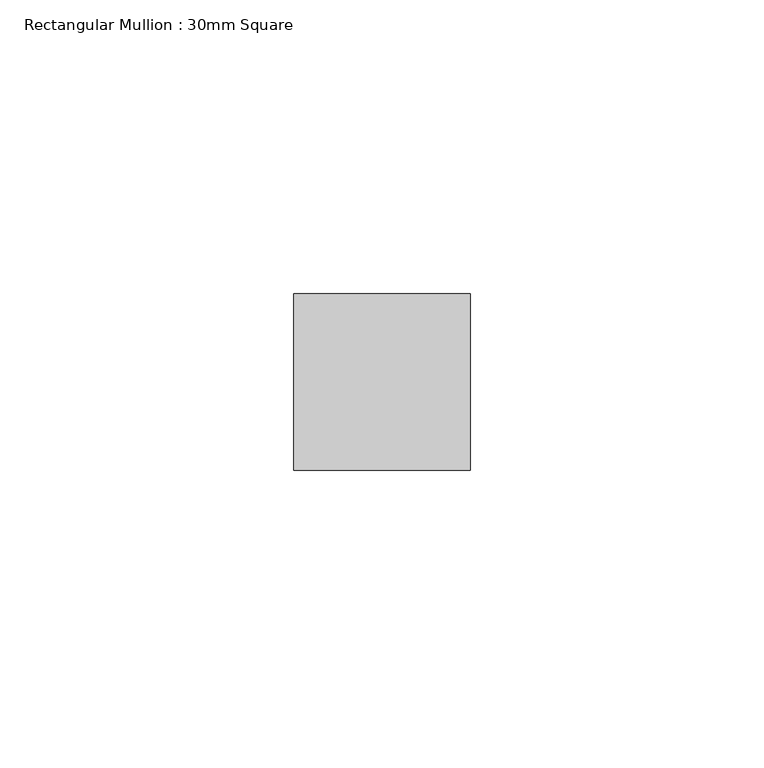
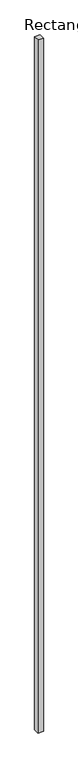
"""IFC4 building model written with IfcOpenShell, lengths in millimetres: member geometry, Rectangular Mullion : 30mm Square."""

from ifc_helpers import new_model, si_unit, frame, origin, place, context, project, spatial, polyline, outline, extrude, source, transform, mapped, element, save


def rectangular_mullion_30mm_square_c8552a0d(model_context):
    return source(origin(), model_context, "Body", "SweptSolid", [
        extrude(outline(polyline([(0.0, 15.0), (0.0, -15.0), (-30.0, -15.0), (-30.0, 15.0), (0.0, 15.0)])), frame((0.0, 0.0, -4000.0), z_axis=(0.0, 0.0, 1.0), x_axis=(1.0, 0.0, 0.0)), (0.0, 0.0, 1.0), 4000.0),
    ])


if __name__ == "__main__":
    model = new_model("IFC4")
    model_context = context("Model", 3, world=origin())
    ifc_project = project(units=[si_unit("LENGTHUNIT", "METRE", prefix="MILLI")], contexts=[model_context])
    site = spatial("IfcSite", under=ifc_project)
    building = spatial("IfcBuilding", under=site)
    placement = place(None, origin())
    rectangular_mullion_30mm_square_shape = rectangular_mullion_30mm_square_c8552a0d(model_context)
    element("IfcMember", 1, ObjectType="Rectangular Mullion : 30mm Square", at=placement, inside=building, context=model_context, shape_type="MappedRepresentation", body=[
        mapped(rectangular_mullion_30mm_square_shape, transform((0.0, 0.0, 0.0), x_axis=(1.0, 0.0, 0.0), y_axis=(0.0, 1.0, 0.0), z_axis=(0.0, 0.0, 1.0))),
    ])
    save(model, "model.ifc")
